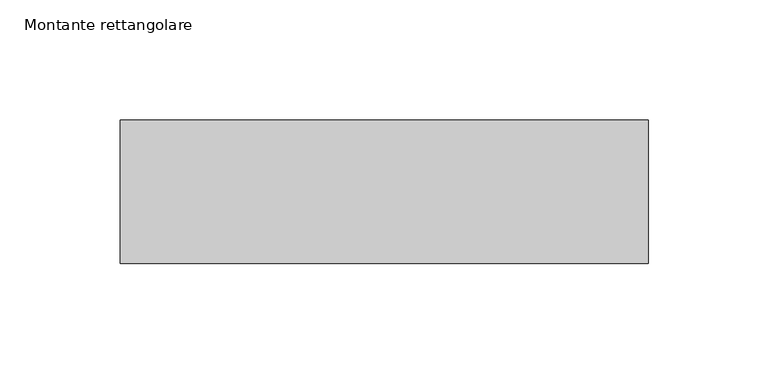
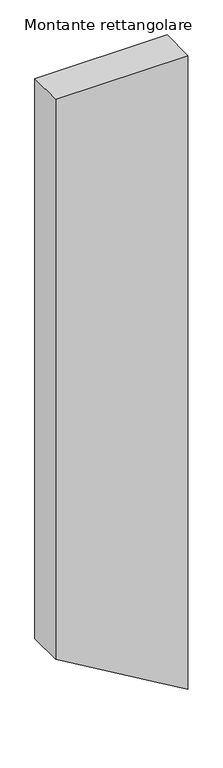
"""IFC4 building model written with IfcOpenShell, lengths in millimetres: member geometry, Montante rettangolare."""

from ifc_helpers import new_model, si_unit, frame, origin, place, context, project, spatial, polyline, outline, extrude, source, transform, mapped, element, save


def montante_rettangolare_f4cefa2b(model_context):
    return source(origin(), model_context, "Body", "SweptSolid", [
        extrude(outline(polyline([(0.0, 110.0), (0.0, -110.0), (-985.5409024, -110.0), (-1080.2321486, 50.7538363), (-1115.130806, 110.0), (0.0, 110.0)])), frame((0.0, -30.0, 0.0), z_axis=(0.0, 1.0, 0.0), x_axis=(0.0, 0.0, 1.0)), (0.0, 0.0, 1.0), 60.0),
    ])


if __name__ == "__main__":
    model = new_model("IFC4")
    model_context = context("Model", 3, world=origin())
    ifc_project = project(units=[si_unit("LENGTHUNIT", "METRE", prefix="MILLI")], contexts=[model_context])
    site = spatial("IfcSite", under=ifc_project)
    building = spatial("IfcBuilding", under=site)
    placement = place(None, origin())
    montante_rettangolare_shape = montante_rettangolare_f4cefa2b(model_context)
    element("IfcMember", 1, ObjectType="Montante rettangolare", at=placement, inside=building, context=model_context, shape_type="MappedRepresentation", body=[
        mapped(montante_rettangolare_shape, transform((0.0, 0.0, 0.0), x_axis=(1.0, 0.0, 0.0), y_axis=(0.0, 1.0, 0.0), z_axis=(0.0, 0.0, 1.0))),
    ])
    save(model, "model.ifc")
